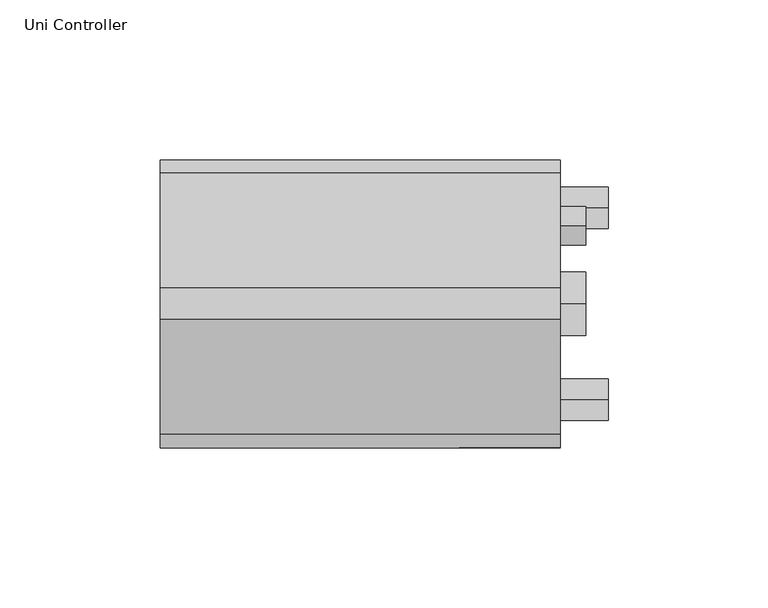
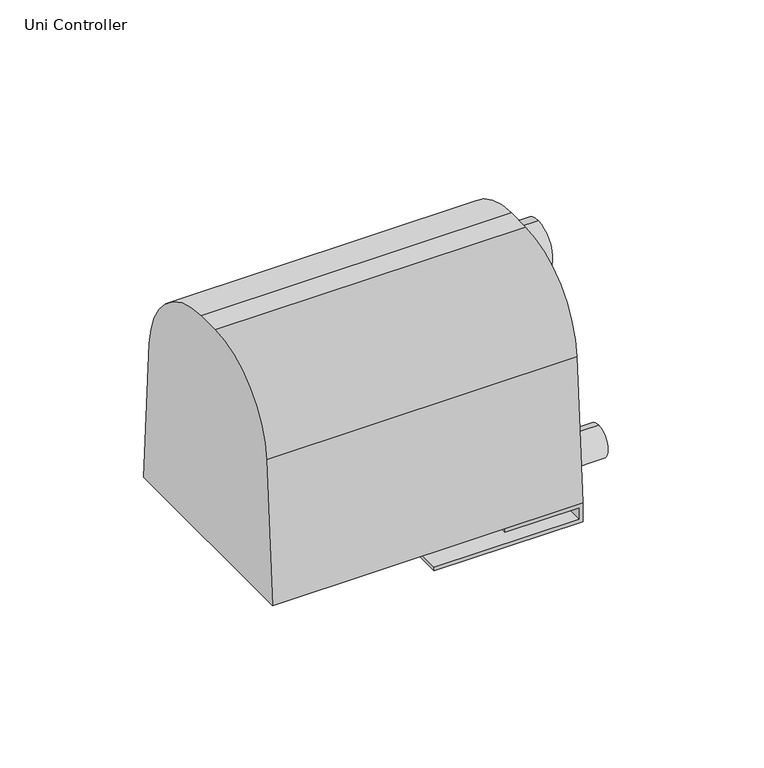
"""IFC4 building model written with IfcOpenShell, lengths in millimetres: proxy geometry, Uni Controller."""

from ifc_helpers import new_model, si_unit, point, frame, frame_2d, origin, place, context, project, spatial, polyline, circle_curve, trimmed, segment, composite_curve, outline, extrude, source, transform, mapped, element, save


def uni_controller_1b44b74a(model_context):
    return source(origin(), model_context, "Body", "SweptSolid", [
        extrude(outline(composite_curve([segment(polyline([(45.0, 8.0), (-45.0, 8.0), (-40.8385692, 67.5112331)]), True, "CONTINUOUS"), segment(trimmed(circle_curve(frame_2d((-4.9262634, 65.0)), 36.0), [point((-40.8385692, 67.5112331))], [point((-4.9262634, 101.0))], False, "CARTESIAN"), True, "CONTINUOUS"), segment(polyline([(-4.9262634, 101.0), (4.9262634, 101.0)]), True, "CONTINUOUS"), segment(trimmed(circle_curve(frame_2d((4.9262634, 65.0)), 36.0), [point((4.9262634, 101.0))], [point((40.8385692, 67.5112331))], False, "CARTESIAN"), True, "CONTINUOUS"), segment(polyline([(40.8385692, 67.5112331), (45.0, 8.0)]), True, "CONTINUOUS")], self_intersect=False)), frame((-171.5, 0.0, 0.0), z_axis=(1.0, 0.0, 0.0), x_axis=(0.0, 1.0, 0.0)), (0.0, 0.0, 1.0), 125.0),
        extrude(outline(composite_curve([segment(trimmed(circle_curve(frame_2d((0.0, 15.2786429)), 3.5), [point((0.0, 11.7786429))], [point((0.0, 18.7786429))], False, "CARTESIAN"), True, "CONTINUOUS"), segment(trimmed(circle_curve(frame_2d((0.0, 15.2786429)), 3.5), [point((0.0, 18.7786429))], [point((0.0, 11.7786429))], False, "CARTESIAN"), True, "CONTINUOUS")], self_intersect=False)), frame((-46.5, 0.0, 0.0), z_axis=(1.0, 0.0, 0.0), x_axis=(0.0, 1.0, 0.0)), (0.0, 0.0, 1.0), 8.0),
        extrude(outline(composite_curve([segment(trimmed(circle_curve(frame_2d((0.0, 30.5)), 3.5), [point((0.0, 27.0))], [point((0.0, 34.0))], False, "CARTESIAN"), True, "CONTINUOUS"), segment(trimmed(circle_curve(frame_2d((0.0, 30.5)), 3.5), [point((0.0, 34.0))], [point((0.0, 27.0))], False, "CARTESIAN"), True, "CONTINUOUS")], self_intersect=False)), frame((-46.5, 0.0, 0.0), z_axis=(1.0, 0.0, 0.0), x_axis=(0.0, 1.0, 0.0)), (0.0, 0.0, 1.0), 8.0),
        extrude(outline(composite_curve([segment(trimmed(circle_curve(frame_2d((24.3802865, 57.9132268)), 6.0), [point((24.3802865, 51.9132268))], [point((24.3802865, 63.9132268))], False, "CARTESIAN"), True, "CONTINUOUS"), segment(trimmed(circle_curve(frame_2d((24.3802865, 57.9132268)), 6.0), [point((24.3802865, 63.9132268))], [point((24.3802865, 51.9132268))], False, "CARTESIAN"), True, "CONTINUOUS")], self_intersect=False)), frame((-46.5, 0.0, 0.0), z_axis=(1.0, 0.0, 0.0), x_axis=(0.0, 1.0, 0.0)), (0.0, 0.0, 1.0), 8.0),
        extrude(outline(composite_curve([segment(trimmed(circle_curve(frame_2d((0.0, 87.8770735)), 10.0), [point((0.0, 97.8770735))], [point((0.0, 77.8770735))], False, "CARTESIAN"), True, "CONTINUOUS"), segment(trimmed(circle_curve(frame_2d((0.0, 87.8770735)), 10.0), [point((0.0, 77.8770735))], [point((0.0, 97.8770735))], False, "CARTESIAN"), True, "CONTINUOUS")], self_intersect=False)), frame((-46.5, 0.0, 0.0), z_axis=(1.0, 0.0, 0.0), x_axis=(0.0, 1.0, 0.0)), (0.0, 0.0, 1.0), 8.0),
        extrude(outline(composite_curve([segment(trimmed(circle_curve(frame_2d((-30.0, 20.224262)), 6.5), [point((-30.0, 26.724262))], [point((-30.0, 13.724262))], False, "CARTESIAN"), True, "CONTINUOUS"), segment(trimmed(circle_curve(frame_2d((-30.0, 20.224262)), 6.5), [point((-30.0, 13.724262))], [point((-30.0, 26.724262))], False, "CARTESIAN"), True, "CONTINUOUS")], self_intersect=False)), frame((-46.5, 0.0, 0.0), z_axis=(1.0, 0.0, 0.0), x_axis=(0.0, 1.0, 0.0)), (0.0, 0.0, 1.0), 15.0),
        extrude(outline(composite_curve([segment(trimmed(circle_curve(frame_2d((30.0, 20.224262)), 6.5), [point((30.0, 26.724262))], [point((30.0, 13.724262))], False, "CARTESIAN"), True, "CONTINUOUS"), segment(trimmed(circle_curve(frame_2d((30.0, 20.224262)), 6.5), [point((30.0, 13.724262))], [point((30.0, 26.724262))], False, "CARTESIAN"), True, "CONTINUOUS")], self_intersect=False)), frame((-46.5, 0.0, 0.0), z_axis=(1.0, 0.0, 0.0), x_axis=(0.0, 1.0, 0.0)), (0.0, 0.0, 1.0), 15.0),
        extrude(outline(polyline([(0.0, -46.5), (8.0, -46.5), (8.0, -78.0), (6.5, -78.0), (6.5, -48.0), (1.5, -48.0), (1.5, -106.5), (0.0, -106.5), (0.0, -46.5)])), frame((0.0, -45.0, 0.0), z_axis=(0.0, 1.0, 0.0), x_axis=(0.0, 0.0, 1.0)), (0.0, 0.0, 1.0), 90.0),
    ])


if __name__ == "__main__":
    model = new_model("IFC4")
    model_context = context("Model", 3, world=origin())
    ifc_project = project(units=[si_unit("LENGTHUNIT", "METRE", prefix="MILLI")], contexts=[model_context])
    site = spatial("IfcSite", under=ifc_project)
    building = spatial("IfcBuilding", under=site)
    placement = place(None, origin())
    uni_controller_shape = uni_controller_1b44b74a(model_context)
    element("IfcBuildingElementProxy", 1, Name="Uni Controller", ObjectType="Uni Controller", at=placement, inside=building, context=model_context, shape_type="MappedRepresentation", body=[
        mapped(uni_controller_shape, transform((0.0, 0.0, 0.0), x_axis=(1.0, 0.0, 0.0), y_axis=(0.0, 1.0, 0.0), z_axis=(0.0, 0.0, 1.0))),
    ])
    save(model, "model.ifc")
